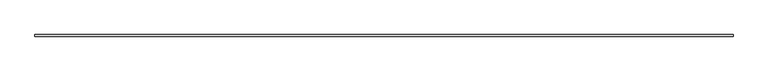
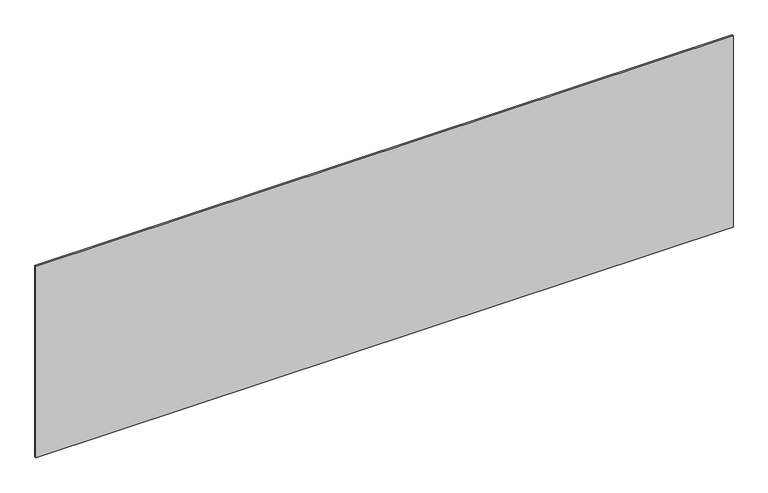
"""IFC4 building model written with IfcOpenShell, lengths in millimetres: plate geometry."""

from ifc_helpers import new_model, si_unit, origin, origin_with_axes, place, context, project, spatial, polyline, outline, extrude, source, transform, mapped, element, save


def plate_d548f6b0(model_context):
    return source(origin(), model_context, "Body", "SweptSolid", [
        extrude(outline(polyline([(2189.1666667, -5.0), (-2189.1666667, -5.0), (-2189.1666667, 5.0), (2189.1666667, 5.0), (2189.1666667, -5.0)])), origin_with_axes(), (0.0, 0.0, 1.0), 1271.3360336),
    ])


if __name__ == "__main__":
    model = new_model("IFC4")
    model_context = context("Model", 3, world=origin())
    ifc_project = project(units=[si_unit("LENGTHUNIT", "METRE", prefix="MILLI")], contexts=[model_context])
    site = spatial("IfcSite", under=ifc_project)
    building = spatial("IfcBuilding", under=site)
    placement = place(None, origin())
    plate_shape = plate_d548f6b0(model_context)
    element("IfcPlate", 1, at=placement, inside=building, context=model_context, shape_type="MappedRepresentation", body=[
        mapped(plate_shape, transform((0.0, 0.0, 0.0), x_axis=(1.0, 0.0, 0.0), y_axis=(0.0, 1.0, 0.0), z_axis=(0.0, 0.0, 1.0))),
    ])
    save(model, "model.ifc")
